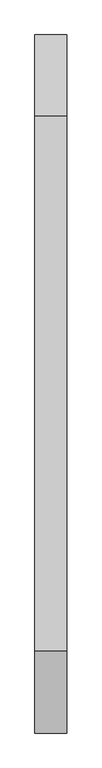
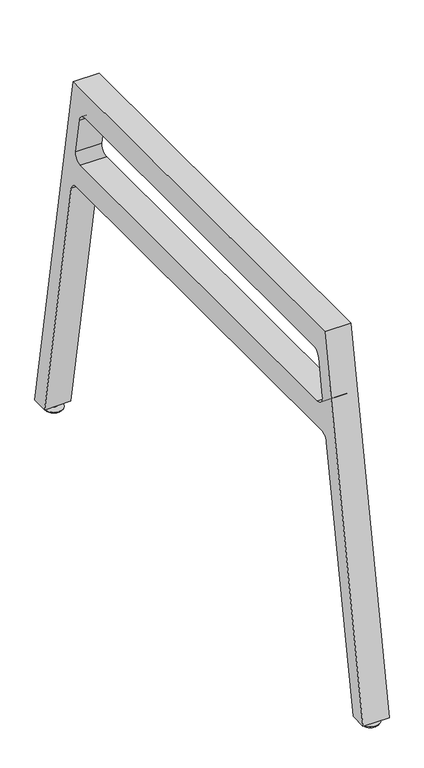
"""IFC4 building model written with IfcOpenShell, lengths in millimetres: furniture geometry."""

import ifcopenshell
import ifcopenshell.guid

model = None  # the IFC model being written
_history = None  # IfcOwnerHistory: only IFC2X3 demands one
_inside = {}  # id of a spatial element -> (the spatial element, [elements in it])
_under = {}  # id of a project, library or spatial element -> (it, [spatial elements below it])
_declared = {}  # id of a project -> (the project, [libraries it declares])
_typed = {}  # id of a type object -> (the type object, [elements of that type])
_made_of = {}  # id of a material, layer set ... -> (it, [elements and type objects made of it])


def new_model(schema):
    """Start an empty IFC model of exactly this schema.

    Asked for "IFC4X3", IfcOpenShell would pick the latest addendum, in which some entities
    have other attributes; the version numbers below select the first issue.
    IFC2X3 requires an IfcOwnerHistory on every rooted entity: one is made here for all.
    """
    global model, _history
    if schema == "IFC4X3":
        model = ifcopenshell.file(schema_version=(4, 3, 0, 0))
    else:
        model = ifcopenshell.file(schema=schema)
    _inside.clear()
    _under.clear()
    _declared.clear()
    _typed.clear()
    _made_of.clear()
    _history = None
    if model.schema == "IFC2X3":
        org = make("IfcOrganization", Name="unknown")
        user = make(
            "IfcPersonAndOrganization",
            ThePerson=make("IfcPerson", FamilyName="unknown"),
            TheOrganization=org,
        )
        app = make(
            "IfcApplication",
            ApplicationDeveloper=org,
            Version="unknown",
            ApplicationFullName="unknown",
            ApplicationIdentifier="unknown",
        )
        _history = make(
            "IfcOwnerHistory",
            OwningUser=user,
            OwningApplication=app,
            ChangeAction="ADDED",
            CreationDate=0,
        )
    return model


def make(cls, **values):
    """One entity of the class cls with the attributes given. An attribute that is None is left unset."""
    return model.create_entity(
        cls, **{name: value for name, value in values.items() if value is not None}
    )


def rooted(cls, **values):
    """An entity with a GlobalId (a new one), such as an element, a storey or a relation."""
    return make(cls, GlobalId=ifcopenshell.guid.new(), OwnerHistory=_history, **values)


def si_unit(unit_type, name, prefix=None):
    """IfcSIUnit, for example si_unit("LENGTHUNIT", "METRE", prefix="MILLI")."""
    return make("IfcSIUnit", UnitType=unit_type, Prefix=prefix, Name=name)


def assignment(units):
    """IfcUnitAssignment: the units of a project."""
    return None if units is None else make("IfcUnitAssignment", Units=units)


def point(xyz):
    """IfcCartesianPoint."""
    return None if xyz is None else make("IfcCartesianPoint", Coordinates=xyz)


def direction(xyz):
    """IfcDirection."""
    return None if xyz is None else make("IfcDirection", DirectionRatios=xyz)


def frame(location, z_axis=None, x_axis=None):
    """IfcAxis2Placement3D, a coordinate frame: its origin and axes. An axis left out is left unset."""
    return make(
        "IfcAxis2Placement3D",
        Location=point(location),
        Axis=direction(z_axis),
        RefDirection=direction(x_axis),
    )


def frame_2d(location, x_axis=None):
    """IfcAxis2Placement2D, a coordinate frame in the plane: its origin and x axis."""
    return make(
        "IfcAxis2Placement2D", Location=point(location), RefDirection=direction(x_axis)
    )


def origin():
    """The frame at (0, 0, 0) with its axes left unset."""
    return frame((0.0, 0.0, 0.0))


def place(relative_to, where):
    """IfcLocalPlacement: puts the frame where relative to a parent placement (None: the world)."""
    return make(
        "IfcLocalPlacement", PlacementRelTo=relative_to, RelativePlacement=where
    )


def context(
    kind, dimensions, precision=None, world=None, true_north=None, identifier=None
):
    """IfcGeometricRepresentationContext, for example the 3D "Model" context."""
    return make(
        "IfcGeometricRepresentationContext",
        ContextIdentifier=identifier,
        ContextType=kind,
        CoordinateSpaceDimension=dimensions,
        Precision=precision,
        WorldCoordinateSystem=world,
        TrueNorth=true_north,
    )


def project(units=None, contexts=None):
    """IfcProject with its units and contexts."""
    return rooted(
        "IfcProject",
        Name="project",
        RepresentationContexts=contexts,
        UnitsInContext=assignment(units),
    )


def spatial(cls, under=None, at=None, **own):
    """A site, building, storey or space (cls), placed at a placement, below another one or the project."""
    s = rooted(cls, ObjectPlacement=at, **own)
    if under is not None:
        _under.setdefault(under.id(), (under, []))[1].append(s)
    return s


def polyline(points):
    """IfcPolyline through the points."""
    return make("IfcPolyline", Points=[point(p) for p in points])


def circle_curve(where, radius):
    """IfcCircle in the frame where."""
    return make("IfcCircle", Position=where, Radius=radius)


def trimmed(basis, trim1, trim2, sense, master):
    """IfcTrimmedCurve: the piece of a basis curve between two trims."""
    return make(
        "IfcTrimmedCurve",
        BasisCurve=basis,
        Trim1=trim1,
        Trim2=trim2,
        SenseAgreement=sense,
        MasterRepresentation=master,
    )


def segment(curve, same_sense, transition):
    """IfcCompositeCurveSegment."""
    return make(
        "IfcCompositeCurveSegment",
        Transition=transition,
        SameSense=same_sense,
        ParentCurve=curve,
    )


def composite_curve(segments, self_intersect=None):
    """IfcCompositeCurve: segments joined end to end."""
    return make("IfcCompositeCurve", Segments=segments, SelfIntersect=self_intersect)


def outline(outer, holes=None, kind="AREA"):
    """IfcArbitraryClosedProfileDef: a profile drawn as a closed curve; with holes, ...WithVoids."""
    if holes is None:
        return make("IfcArbitraryClosedProfileDef", ProfileType=kind, OuterCurve=outer)
    return make(
        "IfcArbitraryProfileDefWithVoids",
        ProfileType=kind,
        OuterCurve=outer,
        InnerCurves=holes,
    )


def extrude(swept, where, along, depth):
    """IfcExtrudedAreaSolid: the profile swept, set in the frame where, extruded along a direction by depth."""
    return make(
        "IfcExtrudedAreaSolid",
        SweptArea=swept,
        Position=where,
        ExtrudedDirection=direction(along),
        Depth=depth,
    )


def shape(context_of_items, identifier, shape_type, items):
    """IfcShapeRepresentation: the items that make up one representation, for example the "Body"."""
    return make(
        "IfcShapeRepresentation",
        ContextOfItems=context_of_items,
        RepresentationIdentifier=identifier,
        RepresentationType=shape_type,
        Items=items,
    )


def source(mapping_origin, context_of_items, identifier, shape_type, items):
    """IfcRepresentationMap: a shape defined once, which mapped items show again and again."""
    return make(
        "IfcRepresentationMap",
        MappingOrigin=mapping_origin,
        MappedRepresentation=shape(context_of_items, identifier, shape_type, items),
    )


def transform(
    local_origin,
    x_axis=None,
    y_axis=None,
    z_axis=None,
    scale=None,
    scale2=None,
    scale3=None,
    uniform=True,
):
    """IfcCartesianTransformationOperator3D, or its non-uniform kind. x_axis, y_axis, z_axis: its Axis1, 2, 3."""
    if uniform:
        return make(
            "IfcCartesianTransformationOperator3D",
            Axis1=direction(x_axis),
            Axis2=direction(y_axis),
            LocalOrigin=point(local_origin),
            Scale=scale,
            Axis3=direction(z_axis),
        )
    return make(
        "IfcCartesianTransformationOperator3DnonUniform",
        Axis1=direction(x_axis),
        Axis2=direction(y_axis),
        LocalOrigin=point(local_origin),
        Scale=scale,
        Axis3=direction(z_axis),
        Scale2=scale2,
        Scale3=scale3,
    )


def mapped(mapping_source, mapping_target):
    """IfcMappedItem: shows the shape of a source again, moved by a transform."""
    return make(
        "IfcMappedItem", MappingSource=mapping_source, MappingTarget=mapping_target
    )


def made_of(thing, what):
    """Note that an element or type object is made of a material, layer set ...; save() writes the relation."""
    if what is not None:
        _made_of.setdefault(what.id(), (what, []))[1].append(thing)
    return thing


def element(
    cls,
    number,
    at=None,
    inside=None,
    cuts=None,
    type_object=None,
    material=None,
    context=None,
    identifier="Body",
    shape_type=None,
    held_by="IfcProductDefinitionShape",
    body=None,
    shapes=None,
    **own,
):
    """One element of the class cls, such as IfcWall. Its Tag is "e" and its number.

    at: its placement. inside: the storey or other place that contains it. cuts: it is an
    opening in that element (IfcRelVoidsElement). A single representation is given by context,
    identifier, shape_type and body (its items); several are given by shapes. held_by: the class
    of the entity that holds the representations. save() writes the other relations.
    """
    e = rooted(cls, Tag="e%d" % number, ObjectPlacement=at, **own)
    if body is not None:
        shapes = [shape(context, identifier, shape_type, body)]
    if shapes is not None:
        e.Representation = make(held_by, Representations=shapes)
    if inside is not None:
        _inside.setdefault(inside.id(), (inside, []))[1].append(e)
    if cuts is not None:
        rooted(
            "IfcRelVoidsElement", RelatingBuildingElement=cuts, RelatedOpeningElement=e
        )
    if type_object is not None:
        _typed.setdefault(type_object.id(), (type_object, []))[1].append(e)
    return made_of(e, material)


def aggregate(whole, parts):
    """IfcRelAggregates: a whole, such as a stair, and the parts it consists of."""
    return rooted("IfcRelAggregates", RelatingObject=whole, RelatedObjects=parts)


def save(model, path):
    """Write the relations noted so far, then the file.

    IfcRelAggregates (storeys below a building ...), IfcRelContainedInSpatialStructure (elements
    in a storey), IfcRelDefinesByType, IfcRelAssociatesMaterial and IfcRelDeclares: one each for
    every whole, place, type object, material and project.
    """
    for whole, parts in _under.values():
        aggregate(whole, parts)
    for where, things in _inside.values():
        rooted(
            "IfcRelContainedInSpatialStructure",
            RelatedElements=things,
            RelatingStructure=where,
        )
    for kind, things in _typed.values():
        rooted("IfcRelDefinesByType", RelatedObjects=things, RelatingType=kind)
    for what, things in _made_of.values():
        rooted("IfcRelAssociatesMaterial", RelatedObjects=things, RelatingMaterial=what)
    for by, libraries in _declared.values():
        rooted("IfcRelDeclares", RelatingContext=by, RelatedDefinitions=libraries)
    model.write(path)


def plane_surface(at):
    """IfcPlane: the flat surface through the origin of the frame at, square to its z axis."""
    return make("IfcPlane", Position=at)


def revolved_surface(curve, axis_point, axis_direction):
    """IfcSurfaceOfRevolution: the curve turned about the line through axis_point along axis_direction."""
    return make(
        "IfcSurfaceOfRevolution",
        SweptCurve=make("IfcArbitraryOpenProfileDef", ProfileType="CURVE", Curve=curve),
        AxisPosition=make("IfcAxis1Placement", Location=point(axis_point), Axis=direction(axis_direction)),
    )


def spline_surface(u_degree, v_degree, points, u_multiplicities, v_multiplicities, u_knots, v_knots, weights=None):
    """IfcBSplineSurfaceWithKnots; with weights, IfcRationalBSplineSurfaceWithKnots. points: one row for each step in u."""
    own = dict(
        UDegree=u_degree,
        VDegree=v_degree,
        ControlPointsList=[[point(p) for p in row] for row in points],
        SurfaceForm="UNSPECIFIED",
        UClosed=False,
        VClosed=False,
        SelfIntersect=False,
        UMultiplicities=u_multiplicities,
        VMultiplicities=v_multiplicities,
        UKnots=u_knots,
        VKnots=v_knots,
        KnotSpec="UNSPECIFIED",
    )
    if weights is None:
        return make("IfcBSplineSurfaceWithKnots", **own)
    return make("IfcRationalBSplineSurfaceWithKnots", WeightsData=weights, **own)


def advanced_brep(points, edges, surfaces, faces):
    """IfcAdvancedBrep: a solid bounded by faces that lie on surfaces and meet in shared edges.

    An edge is (start, end): straight between two places in points (the first is 0);
    or (start, end, curve); or (start, end, curve, False) where it runs against its curve.
    A face is (place in surfaces, loops), or (place, loops, False) where it looks against
    its surface's normal. A loop lists edges by number (the first is 1), with a minus sign
    where the edge is run from its end to its start. The first loop is the outer one.
    """
    corners = [point(p) for p in points]
    vertices = [make("IfcVertexPoint", VertexGeometry=c) for c in corners]
    made = []
    for start, end, *more in edges:
        made.append(
            make(
                "IfcEdgeCurve",
                EdgeStart=vertices[start],
                EdgeEnd=vertices[end],
                EdgeGeometry=more[0] if more else make("IfcPolyline", Points=[corners[start], corners[end]]),
                SameSense=more[1] if len(more) > 1 else True,
            )
        )
    hull = []
    for where, loops, *sense in faces:
        bounds = []
        for j, loop in enumerate(loops):
            ring = [make("IfcOrientedEdge", EdgeElement=made[abs(k) - 1], Orientation=k > 0) for k in loop]
            bounds.append(
                make(
                    "IfcFaceOuterBound" if j == 0 else "IfcFaceBound",
                    Bound=make("IfcEdgeLoop", EdgeList=ring),
                    Orientation=True,
                )
            )
        hull.append(make("IfcAdvancedFace", Bounds=bounds, FaceSurface=surfaces[where], SameSense=sense[0] if sense else True))
    return make("IfcAdvancedBrep", Outer=make("IfcClosedShell", CfsFaces=hull))


def furniture_5ffd5a01(model_context):
    return source(origin(), model_context, "Body", "SolidModel", [
        extrude(outline(composite_curve([segment(trimmed(circle_curve(frame_2d((24.5569238, 19.0749984)), 4.7559133), [point((19.8010105, 19.0749984))], [point((29.3128371, 19.0749984))], False, "CARTESIAN"), True, "CONTINUOUS"), segment(trimmed(circle_curve(frame_2d((24.5569238, 19.0749984)), 4.7559133), [point((29.3128371, 19.0749984))], [point((19.8010105, 19.0749984))], False, "CARTESIAN"), True, "CONTINUOUS")], self_intersect=False)), frame((0.0, 0.0, 13.97), z_axis=(0.0, 0.0, 1.0), x_axis=(1.0, 0.0, 0.0)), (0.0, 0.0, 1.0), 50.8),
        advanced_brep(
        [(18.6813191, 19.0778477, 10.16), (30.4074445, 19.0778477, 10.16), (17.7939505, 19.0282384, 6.584846), (31.2930423, 19.0282384, 6.584846)],
        [
            (0, 1, circle_curve(frame((24.5443818, 19.0778477, 10.16), z_axis=(0.0, 0.0, 1.0), x_axis=(1.0, 0.0, 0.0)), 5.8630627)),
            (1, 0, circle_curve(frame((24.5443818, 19.0778477, 10.16), z_axis=(0.0, 0.0, 1.0), x_axis=(1.0, 0.0, 0.0)), 5.8630627)),
            (2, 3, circle_curve(frame((24.5434964, 19.0282384, 6.584846), z_axis=(0.0, 0.0, -1.0), x_axis=(1.0, 0.0, 0.0)), 6.7495459)),
            (3, 2, circle_curve(frame((24.5434964, 19.0282384, 6.584846), z_axis=(0.0, 0.0, -1.0), x_axis=(1.0, 0.0, 0.0)), 6.7495459)),
            (3, 1),
            (0, 2),
        ],
        [
            plane_surface(frame((24.5443818, 19.0778477, 10.16), z_axis=(0.0, 0.0, 1.0), x_axis=(0.0, -1.0, 0.0))),
            plane_surface(frame((24.5434964, 19.0282384, 6.584846), z_axis=(0.0, 0.0, -1.0), x_axis=(0.0, -1.0, 0.0))),
            spline_surface(2, 1, [[(17.7939505, 19.0282384, 6.584846), (18.6813191, 19.0778477, 10.16)], [(17.7939505, 12.278692500000002, 6.584846), (18.6813191, 13.214785, 10.16)], [(24.5434964, 12.278692500000002, 6.584846), (24.5443818, 13.214785, 10.16)], [(31.293042299999996, 12.278692500000005, 6.584846), (30.4074445, 13.214785000000003, 10.16)], [(31.2930423, 19.0282384, 6.584846), (30.4074445, 19.0778477, 10.16)]], [3, 2, 3], [2, 2], [0.0, 1.0, 2.0], [0.0, 1.0], weights=[[1.0, 1.0], [0.7071067811865476, 0.7071067811865476], [1.0, 1.0], [0.7071067811865477, 0.7071067811865477], [1.0, 1.0]]),
            spline_surface(2, 1, [[(31.2930423, 19.0282384, 6.584846), (30.4074445, 19.0778477, 10.16)], [(31.2930423, 25.7777843, 6.584846), (30.4074445, 24.9409104, 10.16)], [(24.5434964, 25.7777843, 6.584846), (24.5443818, 24.9409104, 10.16)], [(17.793950499999998, 25.777784300000004, 6.584846), (18.6813191, 24.940910400000003, 10.16)], [(17.7939505, 19.0282384, 6.584846), (18.6813191, 19.0778477, 10.16)]], [3, 2, 3], [2, 2], [0.0, 1.0, 2.0], [0.0, 1.0], weights=[[1.0, 1.0], [0.7071067811865476, 0.7071067811865476], [1.0, 1.0], [0.7071067811865472, 0.7071067811865472], [1.0, 1.0]]),
        ],
        [
            (0, [[1, 2]]),
            (1, [[3, 4]]),
            (2, [[-4, 5, -1, 6]]),
            (3, [[-3, -6, -2, -5]]),
        ],
    ),
        extrude(outline(composite_curve([segment(trimmed(circle_curve(frame_2d((24.5669801, 19.1101669)), 8.0885268), [point((16.4784533, 19.1101669))], [point((32.6555069, 19.1101669))], False, "CARTESIAN"), True, "CONTINUOUS"), segment(trimmed(circle_curve(frame_2d((24.5669801, 19.1101669)), 8.0885268), [point((32.6555069, 19.1101669))], [point((16.4784533, 19.1101669))], False, "CARTESIAN"), True, "CONTINUOUS")], self_intersect=False)), frame((0.0, 0.0, 10.16), z_axis=(0.0, 0.0, 1.0), x_axis=(1.0, 0.0, 0.0)), (0.0, 0.0, 1.0), 3.81),
        advanced_brep(
        [(17.7442301, 19.0320697, 6.584846), (31.3154293, 19.0320697, 6.584846), (7.0485966, 18.932851, 3.2723529), (41.8364836, 18.932851, 3.2723529)],
        [
            (0, 1, circle_curve(frame((24.5298297, 19.0320697, 6.584846), z_axis=(0.0, 0.0, 1.0), x_axis=(1.0, 0.0, 0.0)), 6.7855996)),
            (1, 0, circle_curve(frame((24.5298297, 19.0320697, 6.584846), z_axis=(0.0, 0.0, 1.0), x_axis=(1.0, 0.0, 0.0)), 6.7855996)),
            (2, 3, circle_curve(frame((24.4425401, 18.932851, 3.2723529), z_axis=(0.0, 0.0, -1.0), x_axis=(1.0, 0.0, 0.0)), 17.3939435)),
            (3, 2, circle_curve(frame((24.4425401, 18.932851, 3.2723529), z_axis=(0.0, 0.0, -1.0), x_axis=(1.0, 0.0, 0.0)), 17.3939435)),
            (3, 1),
            (0, 2),
        ],
        [
            plane_surface(frame((24.5298297, 19.0320697, 6.584846), z_axis=(0.0, 0.0, 1.0), x_axis=(0.0, -1.0, 0.0))),
            plane_surface(frame((24.4425401, 18.932851, 3.2723529), z_axis=(0.0, 0.0, -1.0), x_axis=(0.0, -1.0, 0.0))),
            spline_surface(2, 1, [[(7.0485966, 18.932851, 3.2723529), (17.7442301, 19.0320697, 6.584846)], [(7.0485966, 1.5389075000000005, 3.2723529), (17.7442301, 12.2464701, 6.584846)], [(24.4425401, 1.5389075000000005, 3.2723529), (24.5298297, 12.2464701, 6.584846)], [(41.836483599999994, 1.538907500000004, 3.2723529), (31.3154293, 12.246470100000002, 6.584846)], [(41.8364836, 18.932851, 3.2723529), (31.3154293, 19.0320697, 6.584846)]], [3, 2, 3], [2, 2], [0.0, 1.0, 2.0], [0.0, 1.0], weights=[[1.0, 1.0], [0.7071067811865476, 0.7071067811865476], [1.0, 1.0], [0.7071067811865476, 0.7071067811865476], [1.0, 1.0]]),
            spline_surface(2, 1, [[(41.8364836, 18.932851, 3.2723529), (31.3154293, 19.0320697, 6.584846)], [(41.8364836, 36.326794500000005, 3.2723529), (31.3154293, 25.817669300000002, 6.584846)], [(24.4425401, 36.326794500000005, 3.2723529), (24.5298297, 25.817669300000002, 6.584846)], [(7.048596599999996, 36.326794500000005, 3.2723529), (17.7442301, 25.817669300000006, 6.584846)], [(7.0485966, 18.932851, 3.2723529), (17.7442301, 19.0320697, 6.584846)]], [3, 2, 3], [2, 2], [0.0, 1.0, 2.0], [0.0, 1.0], weights=[[1.0, 1.0], [0.7071067811865476, 0.7071067811865476], [1.0, 1.0], [0.7071067811865475, 0.7071067811865475], [1.0, 1.0]]),
        ],
        [
            (0, [[1, 2]]),
            (1, [[3, 4]]),
            (2, [[-4, 5, -1, 6]]),
            (3, [[-3, -6, -2, -5]]),
        ],
    ),
        advanced_brep(
        [(9.6227561, 19.1568354, 0.0), (39.4892983, 19.1568354, 0.0), (7.0611697, 19.1568354, 3.2723529), (42.0508847, 19.1568354, 3.2723529)],
        [
            (0, 1, circle_curve(frame((24.5560272, 19.1568354, 0.0), z_axis=(0.0, 0.0, -1.0), x_axis=(-1.0, 0.0, 0.0)), 14.9332711)),
            (1, 0, circle_curve(frame((24.5560272, 19.1568354, 0.0), z_axis=(0.0, 0.0, -1.0), x_axis=(1.0, 0.0, 0.0)), 14.9332711)),
            (2, 3, circle_curve(frame((24.5560272, 19.1568354, 3.2723529), z_axis=(0.0, 0.0, 1.0), x_axis=(1.0, 0.0, 0.0)), 17.4948575)),
            (3, 2, circle_curve(frame((24.5560272, 19.1568354, 3.2723529), z_axis=(0.0, 0.0, 1.0), x_axis=(-1.0, 0.0, 0.0)), 17.4948575)),
            (3, 1),
            (0, 2),
        ],
        [
            plane_surface(frame((24.5560272, 19.1568354, 0.0), z_axis=(0.0, 0.0, -1.0), x_axis=(0.0, -1.0, 0.0))),
            plane_surface(frame((24.5560272, 19.1568354, 3.2723529), z_axis=(0.0, 0.0, 1.0), x_axis=(0.0, -1.0, 0.0))),
            revolved_surface(polyline([(9.622756126367634, 19.1568354, 0.0), (7.061169700000001, 19.1568354, 3.2723529000000013)]), (24.5560272, 19.1568354, -19.0768238), (0.0, 0.0, 1.0)),
            revolved_surface(polyline([(39.489298273632365, 19.1568354, 0.0), (42.0508847, 19.1568354, 3.2723529000000013)]), (24.5560272, 19.1568354, -19.0768238), (0.0, 0.0, 1.0)),
        ],
        [
            (0, [[1, 2]]),
            (1, [[3, 4]]),
            (2, [[-4, 5, -1, 6]]),
            (3, [[-3, -6, -2, -5]]),
        ],
    ),
        extrude(outline(composite_curve([segment(polyline([(947.7462567, 723.9), (1073.1500121, 12.7000004), (1040.9102104, 12.7000004), (953.6734208, 507.4444497)]), True, "CONTINUOUS"), segment(trimmed(circle_curve(frame_2d((937.8760568, 504.6589483)), 16.0410638), [point((953.6734208, 507.4444497))], [point((937.8760568, 520.7000121))], True, "CARTESIAN"), True, "CONTINUOUS"), segment(polyline([(937.8760568, 520.7000121), (135.3200361, 520.7000121)]), True, "CONTINUOUS"), segment(trimmed(circle_curve(frame_2d((135.3200361, 504.6039936)), 16.0960185), [point((135.3200361, 520.7000121))], [point((119.468552, 507.3990362))], True, "CARTESIAN"), True, "CONTINUOUS"), segment(polyline([(119.468552, 507.3990362), (32.2398199, 12.7000004), (0.0, 12.7000004), (125.4037554, 723.9), (947.7462567, 723.9)]), True, "CONTINUOUS")], self_intersect=False), holes=[composite_curve([segment(polyline([(148.9336513, 571.5), (924.3402476, 571.5)]), True, "CONTINUOUS"), segment(trimmed(circle_curve(frame_2d((924.3402476, 586.6360581)), 15.1360581), [point((924.3402476, 571.5))], [point((939.2463549, 589.2644073))], True, "CARTESIAN"), True, "CONTINUOUS"), segment(polyline([(939.2463549, 589.2644073), (926.7918646, 659.8973224)]), True, "CONTINUOUS"), segment(trimmed(circle_curve(frame_2d((911.0575547, 657.1229387)), 15.9770371), [point((926.7918646, 659.8973224))], [point((911.0575547, 673.0999758))], True, "CARTESIAN"), True, "CONTINUOUS"), segment(polyline([(911.0575547, 673.0999758), (162.1134084, 673.0999758)]), True, "CONTINUOUS"), segment(trimmed(circle_curve(frame_2d((162.1134084, 657.0979758)), 16.002), [point((162.1134084, 673.0999758))], [point((146.3545145, 659.8766923))], True, "CARTESIAN"), True, "CONTINUOUS"), segment(polyline([(146.3545145, 659.8766923), (133.9251809, 589.3863967)]), True, "CONTINUOUS"), segment(trimmed(circle_curve(frame_2d((148.9336513, 586.74)), 15.24), [point((133.9251809, 589.3863967))], [point((148.9336513, 571.5))], True, "CARTESIAN"), True, "CONTINUOUS")], self_intersect=False)]), frame((0.0, 0.0, 0.0), z_axis=(1.0, 0.0, 0.0), x_axis=(0.0, 1.0, 0.0)), (0.0, 0.0, 1.0), 49.1236),
        extrude(outline(composite_curve([segment(trimmed(circle_curve(frame_2d((24.5569238, 1054.0750137)), 4.7559133), [point((19.8010105, 1054.0750137))], [point((29.3128371, 1054.0750137))], False, "CARTESIAN"), True, "CONTINUOUS"), segment(trimmed(circle_curve(frame_2d((24.5569238, 1054.0750137)), 4.7559133), [point((29.3128371, 1054.0750137))], [point((19.8010105, 1054.0750137))], False, "CARTESIAN"), True, "CONTINUOUS")], self_intersect=False)), frame((0.0, 0.0, 13.97), z_axis=(0.0, 0.0, 1.0), x_axis=(1.0, 0.0, 0.0)), (0.0, 0.0, 1.0), 50.8),
        advanced_brep(
        [(18.6813191, 1054.0721644, 10.16), (30.4074445, 1054.0721644, 10.16), (17.7939505, 1054.1217738, 6.584846), (31.2930423, 1054.1217738, 6.584846)],
        [
            (0, 1, circle_curve(frame((24.5443818, 1054.0721644, 10.16), z_axis=(0.0, 0.0, 1.0), x_axis=(1.0, 0.0, 0.0)), 5.8630627)),
            (1, 0, circle_curve(frame((24.5443818, 1054.0721644, 10.16), z_axis=(0.0, 0.0, 1.0), x_axis=(1.0, 0.0, 0.0)), 5.8630627)),
            (2, 3, circle_curve(frame((24.5434964, 1054.1217738, 6.584846), z_axis=(0.0, 0.0, -1.0), x_axis=(1.0, 0.0, 0.0)), 6.7495459)),
            (3, 2, circle_curve(frame((24.5434964, 1054.1217738, 6.584846), z_axis=(0.0, 0.0, -1.0), x_axis=(1.0, 0.0, 0.0)), 6.7495459)),
            (3, 1),
            (0, 2),
        ],
        [
            plane_surface(frame((24.5443818, 1054.0721644, 10.16), z_axis=(0.0, 0.0, 1.0), x_axis=(0.0, -1.0, 0.0))),
            plane_surface(frame((24.5434964, 1054.1217738, 6.584846), z_axis=(0.0, 0.0, -1.0), x_axis=(0.0, -1.0, 0.0))),
            spline_surface(2, 1, [[(17.7939505, 1054.1217738, 6.584846), (18.6813191, 1054.0721644, 10.16)], [(17.7939505, 1047.3722279, 6.584846), (18.6813191, 1048.2091017, 10.16)], [(24.5434964, 1047.3722279, 6.584846), (24.5443818, 1048.2091017, 10.16)], [(31.293042299999996, 1047.3722279, 6.584846), (30.4074445, 1048.2091017, 10.16)], [(31.2930423, 1054.1217738, 6.584846), (30.4074445, 1054.0721644, 10.16)]], [3, 2, 3], [2, 2], [0.0, 1.0, 2.0], [0.0, 1.0], weights=[[1.0, 1.0], [0.7071067811865476, 0.7071067811865476], [1.0, 1.0], [0.7071067811865477, 0.7071067811865477], [1.0, 1.0]]),
            spline_surface(2, 1, [[(31.2930423, 1054.1217738, 6.584846), (30.4074445, 1054.0721644, 10.16)], [(31.2930423, 1060.8713197, 6.584846), (30.4074445, 1059.9352271, 10.16)], [(24.5434964, 1060.8713197, 6.584846), (24.5443818, 1059.9352271, 10.16)], [(17.793950499999998, 1060.8713197, 6.584846), (18.6813191, 1059.9352271, 10.16)], [(17.7939505, 1054.1217738, 6.584846), (18.6813191, 1054.0721644, 10.16)]], [3, 2, 3], [2, 2], [0.0, 1.0, 2.0], [0.0, 1.0], weights=[[1.0, 1.0], [0.7071067811865476, 0.7071067811865476], [1.0, 1.0], [0.7071067811865472, 0.7071067811865472], [1.0, 1.0]]),
        ],
        [
            (0, [[1, 2]]),
            (1, [[3, 4]]),
            (2, [[-4, 5, -1, 6]]),
            (3, [[-3, -6, -2, -5]]),
        ],
    ),
        extrude(outline(composite_curve([segment(trimmed(circle_curve(frame_2d((24.5669801, 1054.0398453)), 8.0885268), [point((16.4784533, 1054.0398453))], [point((32.6555069, 1054.0398453))], False, "CARTESIAN"), True, "CONTINUOUS"), segment(trimmed(circle_curve(frame_2d((24.5669801, 1054.0398453)), 8.0885268), [point((32.6555069, 1054.0398453))], [point((16.4784533, 1054.0398453))], False, "CARTESIAN"), True, "CONTINUOUS")], self_intersect=False)), frame((0.0, 0.0, 10.16), z_axis=(0.0, 0.0, 1.0), x_axis=(1.0, 0.0, 0.0)), (0.0, 0.0, 1.0), 3.81),
        advanced_brep(
        [(17.7442301, 1054.1179424, 6.584846), (31.3154293, 1054.1179424, 6.584846), (7.0485966, 1054.2171611, 3.2723529), (41.8364836, 1054.2171611, 3.2723529)],
        [
            (0, 1, circle_curve(frame((24.5298297, 1054.1179424, 6.584846), z_axis=(0.0, 0.0, 1.0), x_axis=(1.0, 0.0, 0.0)), 6.7855996)),
            (1, 0, circle_curve(frame((24.5298297, 1054.1179424, 6.584846), z_axis=(0.0, 0.0, 1.0), x_axis=(1.0, 0.0, 0.0)), 6.7855996)),
            (2, 3, circle_curve(frame((24.4425401, 1054.2171611, 3.2723529), z_axis=(0.0, 0.0, -1.0), x_axis=(1.0, 0.0, 0.0)), 17.3939435)),
            (3, 2, circle_curve(frame((24.4425401, 1054.2171611, 3.2723529), z_axis=(0.0, 0.0, -1.0), x_axis=(1.0, 0.0, 0.0)), 17.3939435)),
            (3, 1),
            (0, 2),
        ],
        [
            plane_surface(frame((24.5298297, 1054.1179424, 6.584846), z_axis=(0.0, 0.0, 1.0), x_axis=(0.0, -1.0, 0.0))),
            plane_surface(frame((24.4425401, 1054.2171611, 3.2723529), z_axis=(0.0, 0.0, -1.0), x_axis=(0.0, -1.0, 0.0))),
            spline_surface(2, 1, [[(7.0485966, 1054.2171611, 3.2723529), (17.7442301, 1054.1179424, 6.584846)], [(7.0485966, 1036.8232176000001, 3.2723529), (17.7442301, 1047.3323427999999, 6.584846)], [(24.4425401, 1036.8232176000001, 3.2723529), (24.5298297, 1047.3323427999999, 6.584846)], [(41.836483599999994, 1036.8232176000001, 3.2723529), (31.3154293, 1047.3323427999999, 6.584846)], [(41.8364836, 1054.2171611, 3.2723529), (31.3154293, 1054.1179424, 6.584846)]], [3, 2, 3], [2, 2], [0.0, 1.0, 2.0], [0.0, 1.0], weights=[[1.0, 1.0], [0.7071067811865476, 0.7071067811865476], [1.0, 1.0], [0.7071067811865476, 0.7071067811865476], [1.0, 1.0]]),
            spline_surface(2, 1, [[(41.8364836, 1054.2171611, 3.2723529), (31.3154293, 1054.1179424, 6.584846)], [(41.8364836, 1071.6111046, 3.2723529), (31.3154293, 1060.903542, 6.584846)], [(24.4425401, 1071.6111046, 3.2723529), (24.5298297, 1060.903542, 6.584846)], [(7.048596599999996, 1071.6111046, 3.2723529), (17.7442301, 1060.903542, 6.584846)], [(7.0485966, 1054.2171611, 3.2723529), (17.7442301, 1054.1179424, 6.584846)]], [3, 2, 3], [2, 2], [0.0, 1.0, 2.0], [0.0, 1.0], weights=[[1.0, 1.0], [0.7071067811865476, 0.7071067811865476], [1.0, 1.0], [0.7071067811865475, 0.7071067811865475], [1.0, 1.0]]),
        ],
        [
            (0, [[1, 2]]),
            (1, [[3, 4]]),
            (2, [[-4, 5, -1, 6]]),
            (3, [[-3, -6, -2, -5]]),
        ],
    ),
        advanced_brep(
        [(9.6227561, 1053.9931767, 0.0), (39.4892983, 1053.9931767, 0.0), (7.0611697, 1053.9931767, 3.2723529), (42.0508847, 1053.9931767, 3.2723529)],
        [
            (0, 1, circle_curve(frame((24.5560272, 1053.9931767, 0.0), z_axis=(0.0, 0.0, -1.0), x_axis=(-1.0, 0.0, 0.0)), 14.9332711)),
            (1, 0, circle_curve(frame((24.5560272, 1053.9931767, 0.0), z_axis=(0.0, 0.0, -1.0), x_axis=(1.0, 0.0, 0.0)), 14.9332711)),
            (2, 3, circle_curve(frame((24.5560272, 1053.9931767, 3.2723529), z_axis=(0.0, 0.0, 1.0), x_axis=(1.0, 0.0, 0.0)), 17.4948575)),
            (3, 2, circle_curve(frame((24.5560272, 1053.9931767, 3.2723529), z_axis=(0.0, 0.0, 1.0), x_axis=(-1.0, 0.0, 0.0)), 17.4948575)),
            (3, 1),
            (0, 2),
        ],
        [
            plane_surface(frame((24.5560272, 1053.9931767, 0.0), z_axis=(0.0, 0.0, -1.0), x_axis=(0.0, -1.0, 0.0))),
            plane_surface(frame((24.5560272, 1053.9931767, 3.2723529), z_axis=(0.0, 0.0, 1.0), x_axis=(0.0, -1.0, 0.0))),
            revolved_surface(polyline([(9.622756126367634, 1053.9931767, 0.0), (7.061169700000001, 1053.9931767, 3.2723529000000013)]), (24.5560272, 1053.9931767, -19.0768238), (0.0, 0.0, 1.0)),
            revolved_surface(polyline([(39.489298273632365, 1053.9931767, 0.0), (42.0508847, 1053.9931767, 3.2723529000000013)]), (24.5560272, 1053.9931767, -19.0768238), (0.0, 0.0, 1.0)),
        ],
        [
            (0, [[1, 2]]),
            (1, [[3, 4]]),
            (2, [[-4, 5, -1, 6]]),
            (3, [[-3, -6, -2, -5]]),
        ],
    ),
    ])


if __name__ == "__main__":
    model = new_model("IFC4")
    model_context = context("Model", 3, world=origin())
    ifc_project = project(units=[si_unit("LENGTHUNIT", "METRE", prefix="MILLI")], contexts=[model_context])
    site = spatial("IfcSite", under=ifc_project)
    building = spatial("IfcBuilding", under=site)
    placement = place(None, origin())
    furniture_shape = furniture_5ffd5a01(model_context)
    element("IfcFurniture", 1, at=placement, inside=building, context=model_context, shape_type="MappedRepresentation", body=[
        mapped(furniture_shape, transform((0.0, 0.0, 0.0), x_axis=(1.0, 0.0, 0.0), y_axis=(0.0, 1.0, 0.0), z_axis=(0.0, 0.0, 1.0))),
    ])
    save(model, "model.ifc")
